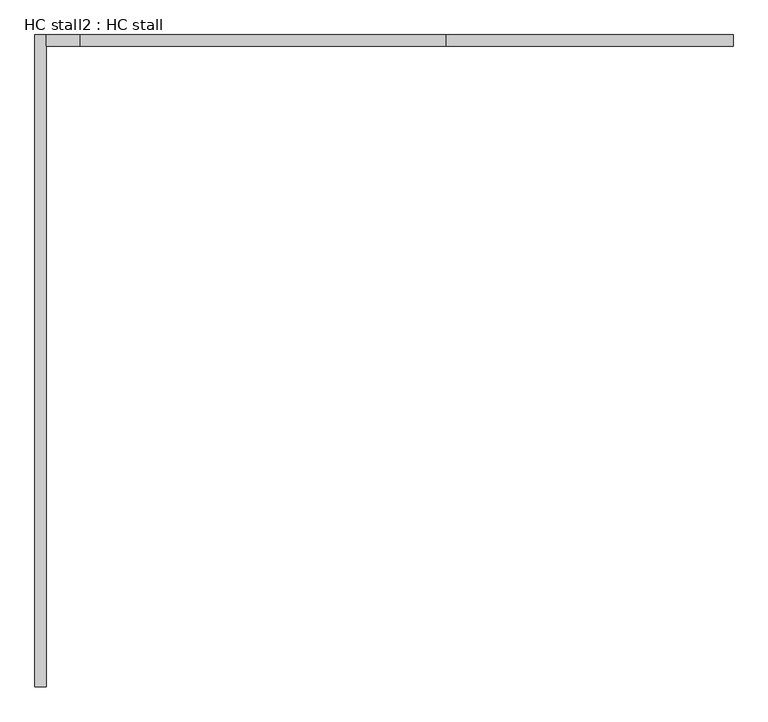
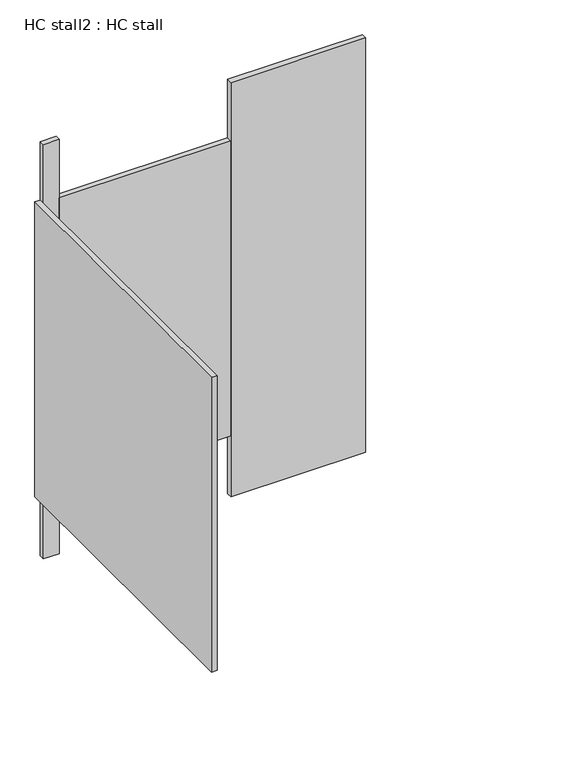
"""IFC4 building model written with IfcOpenShell, lengths in millimetres: proxy geometry, HC stall2 : HC stall."""

from ifc_helpers import new_model, si_unit, frame, origin, origin_with_axes, place, context, project, spatial, polyline, outline, extrude, source, transform, mapped, element, save


def hc_stall2_hc_stall_ac260a2f(model_context):
    return source(origin(), model_context, "Body", "SweptSolid", [
        extrude(outline(polyline([(468686.9379676, -368890.2910885), (468686.9379676, -367442.6186254), (468712.3379676, -367442.6186254), (468712.3379676, -368890.2910885), (468686.9379676, -368890.2910885)])), frame((0.0, 0.0, 304.8), z_axis=(0.0, 0.0, 1.0), x_axis=(1.0, 0.0, 0.0)), (0.0, 0.0, 1.0), 1473.2),
        extrude(outline(polyline([(469599.7504676, -367467.8910885), (469599.7504676, -367442.4910885), (470236.3379676, -367442.4910885), (470236.3379676, -367467.8910885), (469599.7504676, -367467.8910885)])), origin_with_axes(), (0.0, 0.0, 1.0), 2070.1),
        extrude(outline(polyline([(468712.3379676, -367467.8910885), (468712.3379676, -367442.4910885), (468786.9504676, -367442.4910885), (468786.9504676, -367467.8910885), (468712.3379676, -367467.8910885)])), origin_with_axes(), (0.0, 0.0, 1.0), 2070.1),
        extrude(outline(polyline([(468786.9504676, -367467.8910885), (468786.9504676, -367442.4910885), (469599.7504676, -367442.4910885), (469599.7504676, -367467.8910885), (468786.9504676, -367467.8910885)])), frame((0.0, 0.0, 304.8), z_axis=(0.0, 0.0, 1.0), x_axis=(1.0, 0.0, 0.0)), (0.0, 0.0, 1.0), 1473.2),
    ])


if __name__ == "__main__":
    model = new_model("IFC4")
    model_context = context("Model", 3, world=origin())
    ifc_project = project(units=[si_unit("LENGTHUNIT", "METRE", prefix="MILLI")], contexts=[model_context])
    site = spatial("IfcSite", under=ifc_project)
    building = spatial("IfcBuilding", under=site)
    placement = place(None, origin())
    hc_stall2_hc_stall_shape = hc_stall2_hc_stall_ac260a2f(model_context)
    element("IfcBuildingElementProxy", 1, Name="HC stall2 : HC stall", ObjectType="HC stall2 : HC stall", at=placement, inside=building, context=model_context, shape_type="MappedRepresentation", body=[
        mapped(hc_stall2_hc_stall_shape, transform((0.0, 0.0, 0.0), x_axis=(1.0, 0.0, 0.0), y_axis=(0.0, 1.0, 0.0), z_axis=(0.0, 0.0, 1.0))),
    ])
    save(model, "model.ifc")
